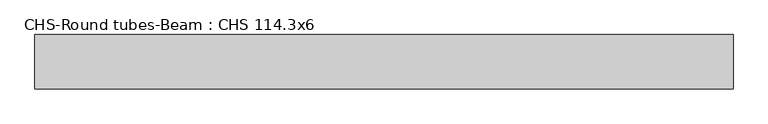
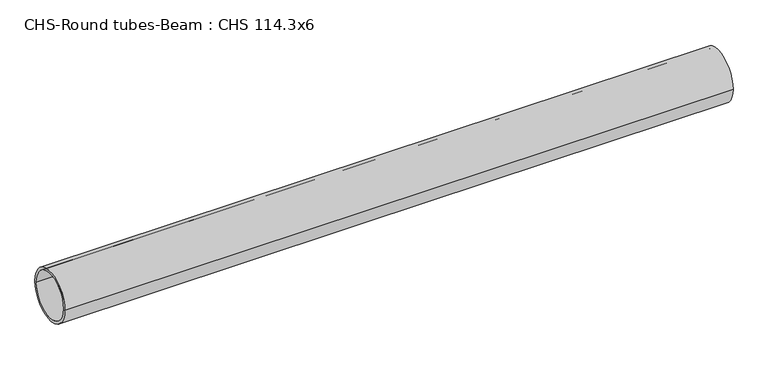
"""IFC4 building model written with IfcOpenShell, lengths in millimetres: beam geometry, CHS-Round tubes-Beam : CHS 114.3x6."""

from ifc_helpers import new_model, si_unit, point, frame, origin, origin_2d, place, context, project, spatial, circle_curve, trimmed, segment, composite_curve, outline, extrude, source, transform, mapped, element, save


def chs_round_tubes_beam_chs_114_3x6_39622aa5(model_context):
    return source(origin(), model_context, "Body", "SweptSolid", [
        extrude(outline(composite_curve([segment(trimmed(circle_curve(origin_2d(), 57.15), [point((57.15, 0.0))], [point((-57.15, 0.0))], False, "CARTESIAN"), True, "CONTINUOUS"), segment(trimmed(circle_curve(origin_2d(), 57.15), [point((-57.15, 0.0))], [point((57.15, 0.0))], False, "CARTESIAN"), True, "CONTINUOUS")], self_intersect=False), holes=[composite_curve([segment(trimmed(circle_curve(origin_2d(), 51.15), [point((51.15, 0.0))], [point((-51.15, 0.0))], True, "CARTESIAN"), True, "CONTINUOUS"), segment(trimmed(circle_curve(origin_2d(), 51.15), [point((-51.15, 0.0))], [point((51.15, 0.0))], True, "CARTESIAN"), True, "CONTINUOUS")], self_intersect=False)]), frame((-702.4623149, 0.0, 0.0), z_axis=(1.0, 0.0, 0.0), x_axis=(0.0, 1.0, 0.0)), (0.0, 0.0, 1.0), 1472.2835726),
    ])


if __name__ == "__main__":
    model = new_model("IFC4")
    model_context = context("Model", 3, world=origin())
    ifc_project = project(units=[si_unit("LENGTHUNIT", "METRE", prefix="MILLI")], contexts=[model_context])
    site = spatial("IfcSite", under=ifc_project)
    building = spatial("IfcBuilding", under=site)
    placement = place(None, origin())
    chs_round_tubes_beam_chs_114_3x6_shape = chs_round_tubes_beam_chs_114_3x6_39622aa5(model_context)
    element("IfcBeam", 1, ObjectType="CHS-Round tubes-Beam : CHS 114.3x6", at=placement, inside=building, context=model_context, shape_type="MappedRepresentation", body=[
        mapped(chs_round_tubes_beam_chs_114_3x6_shape, transform((0.0, 0.0, 0.0), x_axis=(1.0, 0.0, 0.0), y_axis=(0.0, 1.0, 0.0), z_axis=(0.0, 0.0, 1.0))),
    ])
    save(model, "model.ifc")
